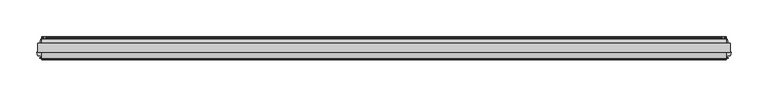
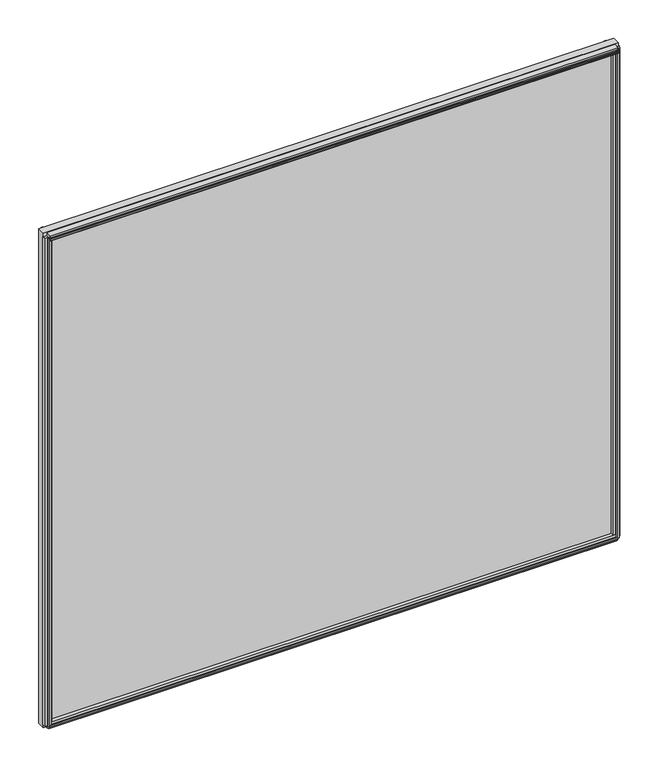
"""IFC4 building model written with IfcOpenShell, lengths in millimetres: plate geometry."""

import ifcopenshell
import ifcopenshell.guid

model = None  # the IFC model being written
_history = None  # IfcOwnerHistory: only IFC2X3 demands one
_inside = {}  # id of a spatial element -> (the spatial element, [elements in it])
_under = {}  # id of a project, library or spatial element -> (it, [spatial elements below it])
_declared = {}  # id of a project -> (the project, [libraries it declares])
_typed = {}  # id of a type object -> (the type object, [elements of that type])
_made_of = {}  # id of a material, layer set ... -> (it, [elements and type objects made of it])


def new_model(schema):
    """Start an empty IFC model of exactly this schema.

    Asked for "IFC4X3", IfcOpenShell would pick the latest addendum, in which some entities
    have other attributes; the version numbers below select the first issue.
    IFC2X3 requires an IfcOwnerHistory on every rooted entity: one is made here for all.
    """
    global model, _history
    if schema == "IFC4X3":
        model = ifcopenshell.file(schema_version=(4, 3, 0, 0))
    else:
        model = ifcopenshell.file(schema=schema)
    _inside.clear()
    _under.clear()
    _declared.clear()
    _typed.clear()
    _made_of.clear()
    _history = None
    if model.schema == "IFC2X3":
        org = make("IfcOrganization", Name="unknown")
        user = make(
            "IfcPersonAndOrganization",
            ThePerson=make("IfcPerson", FamilyName="unknown"),
            TheOrganization=org,
        )
        app = make(
            "IfcApplication",
            ApplicationDeveloper=org,
            Version="unknown",
            ApplicationFullName="unknown",
            ApplicationIdentifier="unknown",
        )
        _history = make(
            "IfcOwnerHistory",
            OwningUser=user,
            OwningApplication=app,
            ChangeAction="ADDED",
            CreationDate=0,
        )
    return model


def make(cls, **values):
    """One entity of the class cls with the attributes given. An attribute that is None is left unset."""
    return model.create_entity(
        cls, **{name: value for name, value in values.items() if value is not None}
    )


def rooted(cls, **values):
    """An entity with a GlobalId (a new one), such as an element, a storey or a relation."""
    return make(cls, GlobalId=ifcopenshell.guid.new(), OwnerHistory=_history, **values)


def si_unit(unit_type, name, prefix=None):
    """IfcSIUnit, for example si_unit("LENGTHUNIT", "METRE", prefix="MILLI")."""
    return make("IfcSIUnit", UnitType=unit_type, Prefix=prefix, Name=name)


def assignment(units):
    """IfcUnitAssignment: the units of a project."""
    return None if units is None else make("IfcUnitAssignment", Units=units)


def point(xyz):
    """IfcCartesianPoint."""
    return None if xyz is None else make("IfcCartesianPoint", Coordinates=xyz)


def direction(xyz):
    """IfcDirection."""
    return None if xyz is None else make("IfcDirection", DirectionRatios=xyz)


def frame(location, z_axis=None, x_axis=None):
    """IfcAxis2Placement3D, a coordinate frame: its origin and axes. An axis left out is left unset."""
    return make(
        "IfcAxis2Placement3D",
        Location=point(location),
        Axis=direction(z_axis),
        RefDirection=direction(x_axis),
    )


def frame_2d(location, x_axis=None):
    """IfcAxis2Placement2D, a coordinate frame in the plane: its origin and x axis."""
    return make(
        "IfcAxis2Placement2D", Location=point(location), RefDirection=direction(x_axis)
    )


def origin():
    """The frame at (0, 0, 0) with its axes left unset."""
    return frame((0.0, 0.0, 0.0))


def origin_with_axes():
    """The frame at (0, 0, 0) with the z axis (0, 0, 1) and the x axis (1, 0, 0) written out."""
    return frame((0.0, 0.0, 0.0), z_axis=(0.0, 0.0, 1.0), x_axis=(1.0, 0.0, 0.0))


def place(relative_to, where):
    """IfcLocalPlacement: puts the frame where relative to a parent placement (None: the world)."""
    return make(
        "IfcLocalPlacement", PlacementRelTo=relative_to, RelativePlacement=where
    )


def context(
    kind, dimensions, precision=None, world=None, true_north=None, identifier=None
):
    """IfcGeometricRepresentationContext, for example the 3D "Model" context."""
    return make(
        "IfcGeometricRepresentationContext",
        ContextIdentifier=identifier,
        ContextType=kind,
        CoordinateSpaceDimension=dimensions,
        Precision=precision,
        WorldCoordinateSystem=world,
        TrueNorth=true_north,
    )


def project(units=None, contexts=None):
    """IfcProject with its units and contexts."""
    return rooted(
        "IfcProject",
        Name="project",
        RepresentationContexts=contexts,
        UnitsInContext=assignment(units),
    )


def spatial(cls, under=None, at=None, **own):
    """A site, building, storey or space (cls), placed at a placement, below another one or the project."""
    s = rooted(cls, ObjectPlacement=at, **own)
    if under is not None:
        _under.setdefault(under.id(), (under, []))[1].append(s)
    return s


def polyline(points):
    """IfcPolyline through the points."""
    return make("IfcPolyline", Points=[point(p) for p in points])


def circle_curve(where, radius):
    """IfcCircle in the frame where."""
    return make("IfcCircle", Position=where, Radius=radius)


def trimmed(basis, trim1, trim2, sense, master):
    """IfcTrimmedCurve: the piece of a basis curve between two trims."""
    return make(
        "IfcTrimmedCurve",
        BasisCurve=basis,
        Trim1=trim1,
        Trim2=trim2,
        SenseAgreement=sense,
        MasterRepresentation=master,
    )


def segment(curve, same_sense, transition):
    """IfcCompositeCurveSegment."""
    return make(
        "IfcCompositeCurveSegment",
        Transition=transition,
        SameSense=same_sense,
        ParentCurve=curve,
    )


def composite_curve(segments, self_intersect=None):
    """IfcCompositeCurve: segments joined end to end."""
    return make("IfcCompositeCurve", Segments=segments, SelfIntersect=self_intersect)


def outline(outer, holes=None, kind="AREA"):
    """IfcArbitraryClosedProfileDef: a profile drawn as a closed curve; with holes, ...WithVoids."""
    if holes is None:
        return make("IfcArbitraryClosedProfileDef", ProfileType=kind, OuterCurve=outer)
    return make(
        "IfcArbitraryProfileDefWithVoids",
        ProfileType=kind,
        OuterCurve=outer,
        InnerCurves=holes,
    )


def extrude(swept, where, along, depth):
    """IfcExtrudedAreaSolid: the profile swept, set in the frame where, extruded along a direction by depth."""
    return make(
        "IfcExtrudedAreaSolid",
        SweptArea=swept,
        Position=where,
        ExtrudedDirection=direction(along),
        Depth=depth,
    )


def shape(context_of_items, identifier, shape_type, items):
    """IfcShapeRepresentation: the items that make up one representation, for example the "Body"."""
    return make(
        "IfcShapeRepresentation",
        ContextOfItems=context_of_items,
        RepresentationIdentifier=identifier,
        RepresentationType=shape_type,
        Items=items,
    )


def source(mapping_origin, context_of_items, identifier, shape_type, items):
    """IfcRepresentationMap: a shape defined once, which mapped items show again and again."""
    return make(
        "IfcRepresentationMap",
        MappingOrigin=mapping_origin,
        MappedRepresentation=shape(context_of_items, identifier, shape_type, items),
    )


def transform(
    local_origin,
    x_axis=None,
    y_axis=None,
    z_axis=None,
    scale=None,
    scale2=None,
    scale3=None,
    uniform=True,
):
    """IfcCartesianTransformationOperator3D, or its non-uniform kind. x_axis, y_axis, z_axis: its Axis1, 2, 3."""
    if uniform:
        return make(
            "IfcCartesianTransformationOperator3D",
            Axis1=direction(x_axis),
            Axis2=direction(y_axis),
            LocalOrigin=point(local_origin),
            Scale=scale,
            Axis3=direction(z_axis),
        )
    return make(
        "IfcCartesianTransformationOperator3DnonUniform",
        Axis1=direction(x_axis),
        Axis2=direction(y_axis),
        LocalOrigin=point(local_origin),
        Scale=scale,
        Axis3=direction(z_axis),
        Scale2=scale2,
        Scale3=scale3,
    )


def mapped(mapping_source, mapping_target):
    """IfcMappedItem: shows the shape of a source again, moved by a transform."""
    return make(
        "IfcMappedItem", MappingSource=mapping_source, MappingTarget=mapping_target
    )


def made_of(thing, what):
    """Note that an element or type object is made of a material, layer set ...; save() writes the relation."""
    if what is not None:
        _made_of.setdefault(what.id(), (what, []))[1].append(thing)
    return thing


def element(
    cls,
    number,
    at=None,
    inside=None,
    cuts=None,
    type_object=None,
    material=None,
    context=None,
    identifier="Body",
    shape_type=None,
    held_by="IfcProductDefinitionShape",
    body=None,
    shapes=None,
    **own,
):
    """One element of the class cls, such as IfcWall. Its Tag is "e" and its number.

    at: its placement. inside: the storey or other place that contains it. cuts: it is an
    opening in that element (IfcRelVoidsElement). A single representation is given by context,
    identifier, shape_type and body (its items); several are given by shapes. held_by: the class
    of the entity that holds the representations. save() writes the other relations.
    """
    e = rooted(cls, Tag="e%d" % number, ObjectPlacement=at, **own)
    if body is not None:
        shapes = [shape(context, identifier, shape_type, body)]
    if shapes is not None:
        e.Representation = make(held_by, Representations=shapes)
    if inside is not None:
        _inside.setdefault(inside.id(), (inside, []))[1].append(e)
    if cuts is not None:
        rooted(
            "IfcRelVoidsElement", RelatingBuildingElement=cuts, RelatedOpeningElement=e
        )
    if type_object is not None:
        _typed.setdefault(type_object.id(), (type_object, []))[1].append(e)
    return made_of(e, material)


def aggregate(whole, parts):
    """IfcRelAggregates: a whole, such as a stair, and the parts it consists of."""
    return rooted("IfcRelAggregates", RelatingObject=whole, RelatedObjects=parts)


def save(model, path):
    """Write the relations noted so far, then the file.

    IfcRelAggregates (storeys below a building ...), IfcRelContainedInSpatialStructure (elements
    in a storey), IfcRelDefinesByType, IfcRelAssociatesMaterial and IfcRelDeclares: one each for
    every whole, place, type object, material and project.
    """
    for whole, parts in _under.values():
        aggregate(whole, parts)
    for where, things in _inside.values():
        rooted(
            "IfcRelContainedInSpatialStructure",
            RelatedElements=things,
            RelatingStructure=where,
        )
    for kind, things in _typed.values():
        rooted("IfcRelDefinesByType", RelatedObjects=things, RelatingType=kind)
    for what, things in _made_of.values():
        rooted("IfcRelAssociatesMaterial", RelatedObjects=things, RelatingMaterial=what)
    for by, libraries in _declared.values():
        rooted("IfcRelDeclares", RelatingContext=by, RelatedDefinitions=libraries)
    model.write(path)


def plate_01a46962(model_context):
    return source(origin(), model_context, "Body", "SweptSolid", [
        extrude(outline(polyline([(472.3181594, -0.0460375), (472.3181594, -12.8984375), (-472.3181594, -12.8984375), (-472.3181594, -0.0460375), (472.3181594, -0.0460375)])), origin_with_axes(), (0.0, 0.0, 1.0), 858.263776),
        extrude(outline(composite_curve([segment(polyline([(7.9801525, 11.112559), (5.5925525, 11.1124979)]), True, "CONTINUOUS"), segment(trimmed(circle_curve(frame_2d((5.5925727, 10.3250979)), 0.7874), [point((5.5925525, 11.1124979))], [point((4.8051727, 10.3250778))], True, "CARTESIAN"), True, "CONTINUOUS"), segment(polyline([(4.8051727, 10.3250778), (4.8051928, 9.5376778), (6.3799928, 9.5377181), (4.8053625, 3.7841758), (4.8053625, 2.9042818)]), True, "CONTINUOUS"), segment(trimmed(circle_curve(frame_2d((2.3796615, 2.9426237)), 2.426004), [point((4.8053625, 2.9042818))], [point((-0.0460375, 2.9041577))], False, "CARTESIAN"), True, "CONTINUOUS"), segment(polyline([(-0.0460375, 2.9041577), (-0.0460375, 16.9229653)]), True, "CONTINUOUS"), segment(trimmed(circle_curve(frame_2d((11.636134, 24.6114215)), 13.9851882), [point((-0.0460375, 16.9229653))], [point((7.9801525, 11.112559))], True, "CARTESIAN"), True, "CONTINUOUS")], self_intersect=False)), frame((-466.7619094, 0.0, 0.0), z_axis=(1.0, 0.0, 0.0), x_axis=(0.0, 1.0, 0.0)), (0.0, 0.0, 1.0), 933.5238187),
        extrude(outline(polyline([(-20.3942598, 3.946253), (-20.1464993, 2.4003), (-20.9588426, 2.4003), (-21.3566375, 4.7371), (-20.9416217, 7.0739), (-20.1283543, 7.0739), (-20.3886275, 5.5210429), (-17.6691189, 5.9939196), (-17.6691189, 10.3197912), (-12.8984375, 11.5326763), (-12.8984375, -2.0076763), (-17.6782032, -0.7924816), (-17.6782032, 3.4539358), (-20.3942598, 3.946253)])), frame((-466.7619094, 0.0, 0.0), z_axis=(1.0, 0.0, 0.0), x_axis=(0.0, 1.0, 0.0)), (0.0, 0.0, 1.0), 933.5238187),
        extrude(outline(polyline([(-12.8984375, 858.2978933), (-12.8984375, 844.4808434), (-17.6736375, 845.4797585), (-18.7846441, 849.6260917), (-21.5347434, 849.3888291), (-20.888384, 847.9579636), (-21.6734885, 847.7475955), (-22.6708491, 849.8995869), (-22.8831052, 852.2619464), (-22.0980007, 852.4723146), (-21.9423316, 850.9099691), (-19.4420445, 852.0795433), (-20.5530511, 856.2258765), (-12.8984375, 858.2978933)])), frame((-466.7619094, 0.0, 0.0), z_axis=(1.0, 0.0, 0.0), x_axis=(0.0, 1.0, 0.0)), (0.0, 0.0, 1.0), 933.5238187),
        extrude(outline(polyline([(4.8053625, 853.0451807), (4.8053625, 848.7525807), (7.5231625, 848.2699807), (7.2691625, 849.8193807), (8.0819625, 849.8193807), (8.4883625, 847.4825807), (8.0819625, 845.1457807), (7.2691625, 845.1457807), (7.5231625, 846.6951807), (4.8053625, 846.2125807), (4.8053625, 841.9199807), (-0.0460375, 840.686574), (-0.0460375, 854.2785875), (4.8053625, 853.0451807)])), frame((-466.7619094, 0.0, 0.0), z_axis=(1.0, 0.0, 0.0), x_axis=(0.0, 1.0, 0.0)), (0.0, 0.0, 1.0), 933.5238187),
        extrude(outline(polyline([(465.9647124, -20.2926598), (465.4723952, -17.5766032), (461.1941202, -17.5766032), (460.004756, -12.8984375), (473.5063628, -12.8984375), (472.3193082, -17.5675189), (468.0123789, -17.5675189), (467.5395023, -20.2870275), (469.0923594, -20.0267543), (469.0923594, -20.8400217), (466.7555594, -21.2550375), (464.4187594, -20.8572426), (464.4187594, -20.0448993), (465.9647124, -20.2926598)])), frame((0.0, 0.0, 5.55625), z_axis=(0.0, 0.0, 1.0), x_axis=(1.0, 0.0, 0.0)), (0.0, 0.0, 1.0), 847.151276),
        extrude(outline(polyline([(463.3231023, 7.6219525), (463.7986485, 4.8870913), (468.1068114, 4.8870913), (469.3609967, -0.0460375), (455.7173221, -0.0460375), (456.9777082, 4.9114812), (461.2559866, 4.9114812), (461.7483124, 7.6275848), (460.2009208, 7.3791279), (460.2009208, 8.1919227), (462.5391594, 8.5899625), (464.8744909, 8.1752075), (464.8715839, 7.3624127), (463.3231023, 7.6219525)])), frame((0.0, 0.0, 5.55625), z_axis=(0.0, 0.0, 1.0), x_axis=(1.0, 0.0, 0.0)), (0.0, 0.0, 1.0), 847.151276),
        extrude(outline(polyline([(-467.5395023, -20.2870275), (-468.0150485, -17.5521663), (-472.3232114, -17.5521663), (-473.5037394, -12.9087562), (-460.0073794, -12.9087562), (-461.1941082, -17.5765562), (-465.4723866, -17.5765562), (-465.9647124, -20.2926598), (-464.4173208, -20.0442029), (-464.4173208, -20.8569977), (-466.7555594, -21.2550375), (-469.0908909, -20.8402825), (-469.0879839, -20.0274877), (-467.5395023, -20.2870275)])), frame((0.0, 0.0, 5.55625), z_axis=(0.0, 0.0, 1.0), x_axis=(1.0, 0.0, 0.0)), (0.0, 0.0, 1.0), 847.151276),
        extrude(outline(polyline([(-461.7552165, 7.6219525), (-461.2796703, 4.8870913), (-456.9715074, 4.8870913), (-455.7173221, -0.0460375), (-469.3609967, -0.0460375), (-468.1006106, 4.9114812), (-463.8223321, 4.9114812), (-463.3300064, 7.6275848), (-464.8773979, 7.3791279), (-464.8773979, 8.1919227), (-462.5391594, 8.5899625), (-460.2038278, 8.1752075), (-460.2067348, 7.3624127), (-461.7552165, 7.6219525)])), frame((0.0, 0.0, 5.55625), z_axis=(0.0, 0.0, 1.0), x_axis=(1.0, 0.0, 0.0)), (0.0, 0.0, 1.0), 847.151276),
    ])


if __name__ == "__main__":
    model = new_model("IFC4")
    model_context = context("Model", 3, world=origin())
    ifc_project = project(units=[si_unit("LENGTHUNIT", "METRE", prefix="MILLI")], contexts=[model_context])
    site = spatial("IfcSite", under=ifc_project)
    building = spatial("IfcBuilding", under=site)
    placement = place(None, origin())
    plate_shape = plate_01a46962(model_context)
    element("IfcPlate", 1, at=placement, inside=building, context=model_context, shape_type="MappedRepresentation", body=[
        mapped(plate_shape, transform((0.0, 0.0, 0.0), x_axis=(1.0, 0.0, 0.0), y_axis=(0.0, 1.0, 0.0), z_axis=(0.0, 0.0, 1.0))),
    ])
    save(model, "model.ifc")
